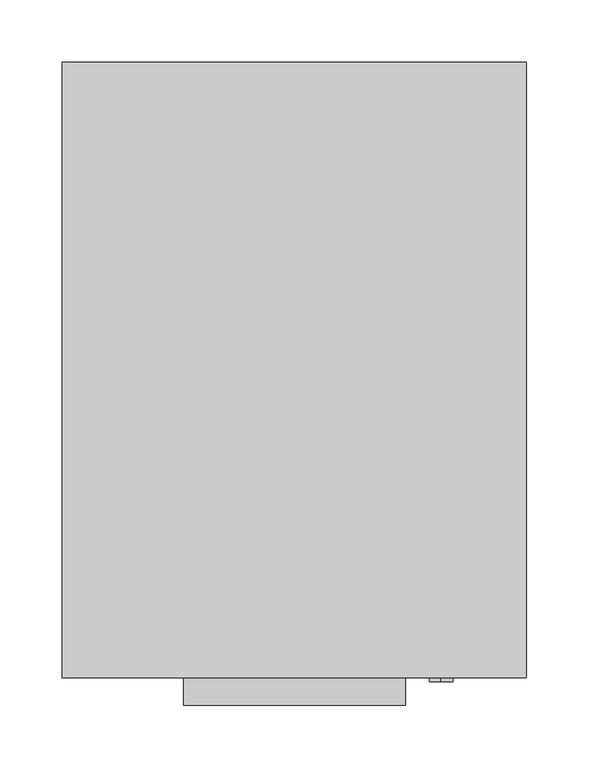
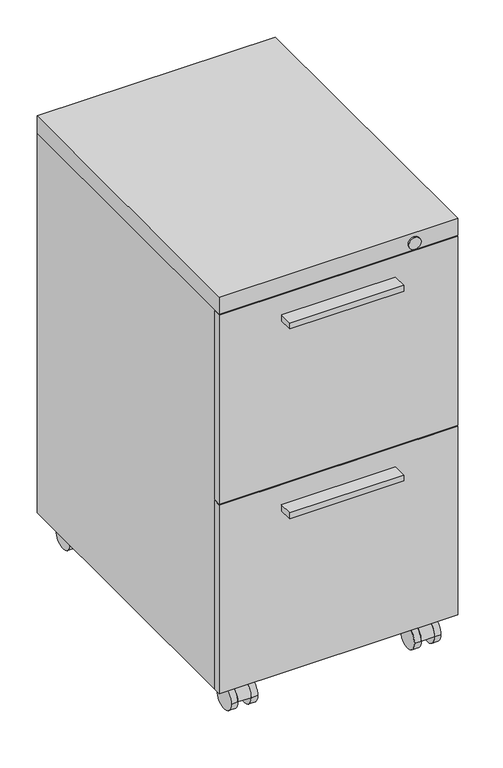
"""IFC4 building model written with IfcOpenShell, lengths in millimetres: furniture geometry."""

import ifcopenshell
import ifcopenshell.guid

model = None  # the IFC model being written
_history = None  # IfcOwnerHistory: only IFC2X3 demands one
_inside = {}  # id of a spatial element -> (the spatial element, [elements in it])
_under = {}  # id of a project, library or spatial element -> (it, [spatial elements below it])
_declared = {}  # id of a project -> (the project, [libraries it declares])
_typed = {}  # id of a type object -> (the type object, [elements of that type])
_made_of = {}  # id of a material, layer set ... -> (it, [elements and type objects made of it])


def new_model(schema):
    """Start an empty IFC model of exactly this schema.

    Asked for "IFC4X3", IfcOpenShell would pick the latest addendum, in which some entities
    have other attributes; the version numbers below select the first issue.
    IFC2X3 requires an IfcOwnerHistory on every rooted entity: one is made here for all.
    """
    global model, _history
    if schema == "IFC4X3":
        model = ifcopenshell.file(schema_version=(4, 3, 0, 0))
    else:
        model = ifcopenshell.file(schema=schema)
    _inside.clear()
    _under.clear()
    _declared.clear()
    _typed.clear()
    _made_of.clear()
    _history = None
    if model.schema == "IFC2X3":
        org = make("IfcOrganization", Name="unknown")
        user = make(
            "IfcPersonAndOrganization",
            ThePerson=make("IfcPerson", FamilyName="unknown"),
            TheOrganization=org,
        )
        app = make(
            "IfcApplication",
            ApplicationDeveloper=org,
            Version="unknown",
            ApplicationFullName="unknown",
            ApplicationIdentifier="unknown",
        )
        _history = make(
            "IfcOwnerHistory",
            OwningUser=user,
            OwningApplication=app,
            ChangeAction="ADDED",
            CreationDate=0,
        )
    return model


def make(cls, **values):
    """One entity of the class cls with the attributes given. An attribute that is None is left unset."""
    return model.create_entity(
        cls, **{name: value for name, value in values.items() if value is not None}
    )


def rooted(cls, **values):
    """An entity with a GlobalId (a new one), such as an element, a storey or a relation."""
    return make(cls, GlobalId=ifcopenshell.guid.new(), OwnerHistory=_history, **values)


def si_unit(unit_type, name, prefix=None):
    """IfcSIUnit, for example si_unit("LENGTHUNIT", "METRE", prefix="MILLI")."""
    return make("IfcSIUnit", UnitType=unit_type, Prefix=prefix, Name=name)


def assignment(units):
    """IfcUnitAssignment: the units of a project."""
    return None if units is None else make("IfcUnitAssignment", Units=units)


def point(xyz):
    """IfcCartesianPoint."""
    return None if xyz is None else make("IfcCartesianPoint", Coordinates=xyz)


def direction(xyz):
    """IfcDirection."""
    return None if xyz is None else make("IfcDirection", DirectionRatios=xyz)


def frame(location, z_axis=None, x_axis=None):
    """IfcAxis2Placement3D, a coordinate frame: its origin and axes. An axis left out is left unset."""
    return make(
        "IfcAxis2Placement3D",
        Location=point(location),
        Axis=direction(z_axis),
        RefDirection=direction(x_axis),
    )


def frame_2d(location, x_axis=None):
    """IfcAxis2Placement2D, a coordinate frame in the plane: its origin and x axis."""
    return make(
        "IfcAxis2Placement2D", Location=point(location), RefDirection=direction(x_axis)
    )


def origin():
    """The frame at (0, 0, 0) with its axes left unset."""
    return frame((0.0, 0.0, 0.0))


def place(relative_to, where):
    """IfcLocalPlacement: puts the frame where relative to a parent placement (None: the world)."""
    return make(
        "IfcLocalPlacement", PlacementRelTo=relative_to, RelativePlacement=where
    )


def context(
    kind, dimensions, precision=None, world=None, true_north=None, identifier=None
):
    """IfcGeometricRepresentationContext, for example the 3D "Model" context."""
    return make(
        "IfcGeometricRepresentationContext",
        ContextIdentifier=identifier,
        ContextType=kind,
        CoordinateSpaceDimension=dimensions,
        Precision=precision,
        WorldCoordinateSystem=world,
        TrueNorth=true_north,
    )


def project(units=None, contexts=None):
    """IfcProject with its units and contexts."""
    return rooted(
        "IfcProject",
        Name="project",
        RepresentationContexts=contexts,
        UnitsInContext=assignment(units),
    )


def spatial(cls, under=None, at=None, **own):
    """A site, building, storey or space (cls), placed at a placement, below another one or the project."""
    s = rooted(cls, ObjectPlacement=at, **own)
    if under is not None:
        _under.setdefault(under.id(), (under, []))[1].append(s)
    return s


def polyline(points):
    """IfcPolyline through the points."""
    return make("IfcPolyline", Points=[point(p) for p in points])


def circle_curve(where, radius):
    """IfcCircle in the frame where."""
    return make("IfcCircle", Position=where, Radius=radius)


def trimmed(basis, trim1, trim2, sense, master):
    """IfcTrimmedCurve: the piece of a basis curve between two trims."""
    return make(
        "IfcTrimmedCurve",
        BasisCurve=basis,
        Trim1=trim1,
        Trim2=trim2,
        SenseAgreement=sense,
        MasterRepresentation=master,
    )


def segment(curve, same_sense, transition):
    """IfcCompositeCurveSegment."""
    return make(
        "IfcCompositeCurveSegment",
        Transition=transition,
        SameSense=same_sense,
        ParentCurve=curve,
    )


def composite_curve(segments, self_intersect=None):
    """IfcCompositeCurve: segments joined end to end."""
    return make("IfcCompositeCurve", Segments=segments, SelfIntersect=self_intersect)


def outline(outer, holes=None, kind="AREA"):
    """IfcArbitraryClosedProfileDef: a profile drawn as a closed curve; with holes, ...WithVoids."""
    if holes is None:
        return make("IfcArbitraryClosedProfileDef", ProfileType=kind, OuterCurve=outer)
    return make(
        "IfcArbitraryProfileDefWithVoids",
        ProfileType=kind,
        OuterCurve=outer,
        InnerCurves=holes,
    )


def extrude(swept, where, along, depth):
    """IfcExtrudedAreaSolid: the profile swept, set in the frame where, extruded along a direction by depth."""
    return make(
        "IfcExtrudedAreaSolid",
        SweptArea=swept,
        Position=where,
        ExtrudedDirection=direction(along),
        Depth=depth,
    )


def shape(context_of_items, identifier, shape_type, items):
    """IfcShapeRepresentation: the items that make up one representation, for example the "Body"."""
    return make(
        "IfcShapeRepresentation",
        ContextOfItems=context_of_items,
        RepresentationIdentifier=identifier,
        RepresentationType=shape_type,
        Items=items,
    )


def source(mapping_origin, context_of_items, identifier, shape_type, items):
    """IfcRepresentationMap: a shape defined once, which mapped items show again and again."""
    return make(
        "IfcRepresentationMap",
        MappingOrigin=mapping_origin,
        MappedRepresentation=shape(context_of_items, identifier, shape_type, items),
    )


def transform(
    local_origin,
    x_axis=None,
    y_axis=None,
    z_axis=None,
    scale=None,
    scale2=None,
    scale3=None,
    uniform=True,
):
    """IfcCartesianTransformationOperator3D, or its non-uniform kind. x_axis, y_axis, z_axis: its Axis1, 2, 3."""
    if uniform:
        return make(
            "IfcCartesianTransformationOperator3D",
            Axis1=direction(x_axis),
            Axis2=direction(y_axis),
            LocalOrigin=point(local_origin),
            Scale=scale,
            Axis3=direction(z_axis),
        )
    return make(
        "IfcCartesianTransformationOperator3DnonUniform",
        Axis1=direction(x_axis),
        Axis2=direction(y_axis),
        LocalOrigin=point(local_origin),
        Scale=scale,
        Axis3=direction(z_axis),
        Scale2=scale2,
        Scale3=scale3,
    )


def mapped(mapping_source, mapping_target):
    """IfcMappedItem: shows the shape of a source again, moved by a transform."""
    return make(
        "IfcMappedItem", MappingSource=mapping_source, MappingTarget=mapping_target
    )


def made_of(thing, what):
    """Note that an element or type object is made of a material, layer set ...; save() writes the relation."""
    if what is not None:
        _made_of.setdefault(what.id(), (what, []))[1].append(thing)
    return thing


def element(
    cls,
    number,
    at=None,
    inside=None,
    cuts=None,
    type_object=None,
    material=None,
    context=None,
    identifier="Body",
    shape_type=None,
    held_by="IfcProductDefinitionShape",
    body=None,
    shapes=None,
    **own,
):
    """One element of the class cls, such as IfcWall. Its Tag is "e" and its number.

    at: its placement. inside: the storey or other place that contains it. cuts: it is an
    opening in that element (IfcRelVoidsElement). A single representation is given by context,
    identifier, shape_type and body (its items); several are given by shapes. held_by: the class
    of the entity that holds the representations. save() writes the other relations.
    """
    e = rooted(cls, Tag="e%d" % number, ObjectPlacement=at, **own)
    if body is not None:
        shapes = [shape(context, identifier, shape_type, body)]
    if shapes is not None:
        e.Representation = make(held_by, Representations=shapes)
    if inside is not None:
        _inside.setdefault(inside.id(), (inside, []))[1].append(e)
    if cuts is not None:
        rooted(
            "IfcRelVoidsElement", RelatingBuildingElement=cuts, RelatedOpeningElement=e
        )
    if type_object is not None:
        _typed.setdefault(type_object.id(), (type_object, []))[1].append(e)
    return made_of(e, material)


def aggregate(whole, parts):
    """IfcRelAggregates: a whole, such as a stair, and the parts it consists of."""
    return rooted("IfcRelAggregates", RelatingObject=whole, RelatedObjects=parts)


def save(model, path):
    """Write the relations noted so far, then the file.

    IfcRelAggregates (storeys below a building ...), IfcRelContainedInSpatialStructure (elements
    in a storey), IfcRelDefinesByType, IfcRelAssociatesMaterial and IfcRelDeclares: one each for
    every whole, place, type object, material and project.
    """
    for whole, parts in _under.values():
        aggregate(whole, parts)
    for where, things in _inside.values():
        rooted(
            "IfcRelContainedInSpatialStructure",
            RelatedElements=things,
            RelatingStructure=where,
        )
    for kind, things in _typed.values():
        rooted("IfcRelDefinesByType", RelatedObjects=things, RelatingType=kind)
    for what, things in _made_of.values():
        rooted("IfcRelAssociatesMaterial", RelatedObjects=things, RelatingMaterial=what)
    for by, libraries in _declared.values():
        rooted("IfcRelDeclares", RelatingContext=by, RelatedDefinitions=libraries)
    model.write(path)


def furniture_bc43a49d(model_context):
    return source(origin(), model_context, "Body", "SweptSolid", [
        extrude(outline(polyline([(88.9, -268.2875), (-88.9, -268.2875), (-88.9, -246.0625), (88.9, -246.0625), (88.9, -268.2875)])), frame((0.0, 0.0, 315.9125045), z_axis=(0.0, 0.0, 1.0), x_axis=(1.0, 0.0, 0.0)), (0.0, 0.0, 1.0), 9.525),
        extrude(outline(polyline([(88.9, -268.2875), (-88.9, -268.2875), (-88.9, -246.0625), (88.9, -246.0625), (88.9, -268.2875)])), frame((0.0, 0.0, 628.6499924), z_axis=(0.0, 0.0, 1.0), x_axis=(1.0, 0.0, 0.0)), (0.0, 0.0, 1.0), 9.525),
        extrude(outline(composite_curve([segment(trimmed(circle_curve(frame_2d((-220.6625363, 19.05)), 19.05), [point((-239.7125363, 19.05))], [point((-201.6125363, 19.05))], False, "CARTESIAN"), True, "CONTINUOUS"), segment(polyline([(-201.6125363, 19.05), (-239.7125363, 19.05)]), True, "CONTINUOUS")], self_intersect=False)), frame((132.5562508, 0.0, 0.0), z_axis=(1.0, 0.0, 0.0), x_axis=(0.0, 1.0, 0.0)), (0.0, 0.0, 1.0), 20.6375008),
        extrude(outline(composite_curve([segment(trimmed(circle_curve(frame_2d((142.875, -207.9625303)), 10.3187561), [point((132.5562439, -207.9625303))], [point((153.1937561, -207.9625303))], False, "CARTESIAN"), True, "CONTINUOUS"), segment(trimmed(circle_curve(frame_2d((142.875, -207.9625303)), 10.3187561), [point((153.1937561, -207.9625303))], [point((132.5562439, -207.9625303))], False, "CARTESIAN"), True, "CONTINUOUS")], self_intersect=False)), frame((0.0, 0.0, 19.05), z_axis=(0.0, 0.0, 1.0), x_axis=(1.0, 0.0, 0.0)), (0.0, 0.0, 1.0), 28.575),
        extrude(outline(composite_curve([segment(trimmed(circle_curve(frame_2d((-220.6625363, 19.05)), 19.05), [point((-201.6125363, 19.05))], [point((-239.7125363, 19.05))], False, "CARTESIAN"), True, "CONTINUOUS"), segment(trimmed(circle_curve(frame_2d((-220.6625363, 19.05)), 19.05), [point((-239.7125363, 19.05))], [point((-201.6125363, 19.05))], False, "CARTESIAN"), True, "CONTINUOUS")], self_intersect=False)), frame((153.1937515, 0.0, 0.0), z_axis=(1.0, 0.0, 0.0), x_axis=(0.0, 1.0, 0.0)), (0.0, 0.0, 1.0), 10.318747),
        extrude(outline(composite_curve([segment(trimmed(circle_curve(frame_2d((-220.6625363, 19.05)), 19.05), [point((-201.6125363, 19.05))], [point((-239.7125363, 19.05))], False, "CARTESIAN"), True, "CONTINUOUS"), segment(trimmed(circle_curve(frame_2d((-220.6625363, 19.05)), 19.05), [point((-239.7125363, 19.05))], [point((-201.6125363, 19.05))], False, "CARTESIAN"), True, "CONTINUOUS")], self_intersect=False)), frame((122.2375, 0.0, 0.0), z_axis=(1.0, 0.0, 0.0), x_axis=(0.0, 1.0, 0.0)), (0.0, 0.0, 1.0), 10.3187508),
        extrude(outline(composite_curve([segment(trimmed(circle_curve(frame_2d((-220.6625363, 19.05)), 19.05), [point((-239.7125363, 19.05))], [point((-201.6125363, 19.05))], False, "CARTESIAN"), True, "CONTINUOUS"), segment(polyline([(-201.6125363, 19.05), (-239.7125363, 19.05)]), True, "CONTINUOUS")], self_intersect=False)), frame((-153.1937492, 0.0, 0.0), z_axis=(1.0, 0.0, 0.0), x_axis=(0.0, 1.0, 0.0)), (0.0, 0.0, 1.0), 20.6375008),
        extrude(outline(composite_curve([segment(trimmed(circle_curve(frame_2d((-142.875, -207.9625303)), 10.3187561), [point((-153.1937561, -207.9625303))], [point((-132.5562439, -207.9625303))], False, "CARTESIAN"), True, "CONTINUOUS"), segment(trimmed(circle_curve(frame_2d((-142.875, -207.9625303)), 10.3187561), [point((-132.5562439, -207.9625303))], [point((-153.1937561, -207.9625303))], False, "CARTESIAN"), True, "CONTINUOUS")], self_intersect=False)), frame((0.0, 0.0, 19.05), z_axis=(0.0, 0.0, 1.0), x_axis=(1.0, 0.0, 0.0)), (0.0, 0.0, 1.0), 28.575),
        extrude(outline(composite_curve([segment(trimmed(circle_curve(frame_2d((-220.6625363, 19.05)), 19.05), [point((-201.6125363, 19.05))], [point((-239.7125363, 19.05))], False, "CARTESIAN"), True, "CONTINUOUS"), segment(trimmed(circle_curve(frame_2d((-220.6625363, 19.05)), 19.05), [point((-239.7125363, 19.05))], [point((-201.6125363, 19.05))], False, "CARTESIAN"), True, "CONTINUOUS")], self_intersect=False)), frame((-132.5562485, 0.0, 0.0), z_axis=(1.0, 0.0, 0.0), x_axis=(0.0, 1.0, 0.0)), (0.0, 0.0, 1.0), 10.318747),
        extrude(outline(composite_curve([segment(trimmed(circle_curve(frame_2d((-220.6625363, 19.05)), 19.05), [point((-201.6125363, 19.05))], [point((-239.7125363, 19.05))], False, "CARTESIAN"), True, "CONTINUOUS"), segment(trimmed(circle_curve(frame_2d((-220.6625363, 19.05)), 19.05), [point((-239.7125363, 19.05))], [point((-201.6125363, 19.05))], False, "CARTESIAN"), True, "CONTINUOUS")], self_intersect=False)), frame((-163.5125, 0.0, 0.0), z_axis=(1.0, 0.0, 0.0), x_axis=(0.0, 1.0, 0.0)), (0.0, 0.0, 1.0), 10.3187508),
        extrude(outline(composite_curve([segment(trimmed(circle_curve(frame_2d((214.3124758, 19.05)), 19.05), [point((195.2624758, 19.05))], [point((233.3624758, 19.05))], False, "CARTESIAN"), True, "CONTINUOUS"), segment(polyline([(233.3624758, 19.05), (195.2624758, 19.05)]), True, "CONTINUOUS")], self_intersect=False)), frame((132.5562508, 0.0, 0.0), z_axis=(1.0, 0.0, 0.0), x_axis=(0.0, 1.0, 0.0)), (0.0, 0.0, 1.0), 20.6375008),
        extrude(outline(composite_curve([segment(trimmed(circle_curve(frame_2d((142.875, 227.0124818)), 10.3187561), [point((132.5562439, 227.0124818))], [point((153.1937561, 227.0124818))], False, "CARTESIAN"), True, "CONTINUOUS"), segment(trimmed(circle_curve(frame_2d((142.875, 227.0124818)), 10.3187561), [point((153.1937561, 227.0124818))], [point((132.5562439, 227.0124818))], False, "CARTESIAN"), True, "CONTINUOUS")], self_intersect=False)), frame((0.0, 0.0, 19.05), z_axis=(0.0, 0.0, 1.0), x_axis=(1.0, 0.0, 0.0)), (0.0, 0.0, 1.0), 28.575),
        extrude(outline(composite_curve([segment(trimmed(circle_curve(frame_2d((214.3124758, 19.05)), 19.05), [point((233.3624758, 19.05))], [point((195.2624758, 19.05))], False, "CARTESIAN"), True, "CONTINUOUS"), segment(trimmed(circle_curve(frame_2d((214.3124758, 19.05)), 19.05), [point((195.2624758, 19.05))], [point((233.3624758, 19.05))], False, "CARTESIAN"), True, "CONTINUOUS")], self_intersect=False)), frame((153.1937515, 0.0, 0.0), z_axis=(1.0, 0.0, 0.0), x_axis=(0.0, 1.0, 0.0)), (0.0, 0.0, 1.0), 10.318747),
        extrude(outline(composite_curve([segment(trimmed(circle_curve(frame_2d((214.3124758, 19.05)), 19.05), [point((233.3624758, 19.05))], [point((195.2624758, 19.05))], False, "CARTESIAN"), True, "CONTINUOUS"), segment(trimmed(circle_curve(frame_2d((214.3124758, 19.05)), 19.05), [point((195.2624758, 19.05))], [point((233.3624758, 19.05))], False, "CARTESIAN"), True, "CONTINUOUS")], self_intersect=False)), frame((122.2375, 0.0, 0.0), z_axis=(1.0, 0.0, 0.0), x_axis=(0.0, 1.0, 0.0)), (0.0, 0.0, 1.0), 10.3187508),
        extrude(outline(composite_curve([segment(trimmed(circle_curve(frame_2d((214.3124758, 19.05)), 19.05), [point((195.2624758, 19.05))], [point((233.3624758, 19.05))], False, "CARTESIAN"), True, "CONTINUOUS"), segment(polyline([(233.3624758, 19.05), (195.2624758, 19.05)]), True, "CONTINUOUS")], self_intersect=False)), frame((-153.1937492, 0.0, 0.0), z_axis=(1.0, 0.0, 0.0), x_axis=(0.0, 1.0, 0.0)), (0.0, 0.0, 1.0), 20.6375008),
        extrude(outline(composite_curve([segment(trimmed(circle_curve(frame_2d((-142.875, 227.0124818)), 10.3187561), [point((-153.1937561, 227.0124818))], [point((-132.5562439, 227.0124818))], False, "CARTESIAN"), True, "CONTINUOUS"), segment(trimmed(circle_curve(frame_2d((-142.875, 227.0124818)), 10.3187561), [point((-132.5562439, 227.0124818))], [point((-153.1937561, 227.0124818))], False, "CARTESIAN"), True, "CONTINUOUS")], self_intersect=False)), frame((0.0, 0.0, 19.05), z_axis=(0.0, 0.0, 1.0), x_axis=(1.0, 0.0, 0.0)), (0.0, 0.0, 1.0), 28.575),
        extrude(outline(composite_curve([segment(trimmed(circle_curve(frame_2d((214.3124758, 19.05)), 19.05), [point((233.3624758, 19.05))], [point((195.2624758, 19.05))], False, "CARTESIAN"), True, "CONTINUOUS"), segment(trimmed(circle_curve(frame_2d((214.3124758, 19.05)), 19.05), [point((195.2624758, 19.05))], [point((233.3624758, 19.05))], False, "CARTESIAN"), True, "CONTINUOUS")], self_intersect=False)), frame((-132.5562485, 0.0, 0.0), z_axis=(1.0, 0.0, 0.0), x_axis=(0.0, 1.0, 0.0)), (0.0, 0.0, 1.0), 10.318747),
        extrude(outline(composite_curve([segment(trimmed(circle_curve(frame_2d((214.3124758, 19.05)), 19.05), [point((233.3624758, 19.05))], [point((195.2624758, 19.05))], False, "CARTESIAN"), True, "CONTINUOUS"), segment(trimmed(circle_curve(frame_2d((214.3124758, 19.05)), 19.05), [point((195.2624758, 19.05))], [point((233.3624758, 19.05))], False, "CARTESIAN"), True, "CONTINUOUS")], self_intersect=False)), frame((-163.5125, 0.0, 0.0), z_axis=(1.0, 0.0, 0.0), x_axis=(0.0, 1.0, 0.0)), (0.0, 0.0, 1.0), 10.3187508),
        extrude(outline(polyline([(185.7375, -233.3624516), (185.7375, -246.0625), (-185.7375, -246.0625), (-185.7375, -233.3624516), (185.7375, -233.3624516)])), frame((0.0, 0.0, 360.3624992), z_axis=(0.0, 0.0, 1.0), x_axis=(1.0, 0.0, 0.0)), (0.0, 0.0, 1.0), 311.1500008),
        extrude(outline(polyline([(185.7375, -233.3624516), (185.7375, -246.0625), (-185.7375, -246.0625), (-185.7375, -233.3624516), (185.7375, -233.3624516)])), frame((0.0, 0.0, 47.625), z_axis=(0.0, 0.0, 1.0), x_axis=(1.0, 0.0, 0.0)), (0.0, 0.0, 1.0), 311.1500121),
        extrude(outline(polyline([(185.7375, 246.0625), (185.7375, -246.0625), (-185.7375, -246.0625), (-185.7375, 246.0625), (185.7375, 246.0625)])), frame((0.0, 0.0, 673.1), z_axis=(0.0, 0.0, 1.0), x_axis=(1.0, 0.0, 0.0)), (0.0, 0.0, 1.0), 28.575),
        extrude(outline(polyline([(185.7375, 246.0625), (185.7375, -233.3624516), (-185.7375, -233.3624516), (-185.7375, 246.0625), (185.7375, 246.0625)])), frame((0.0, 0.0, 47.625), z_axis=(0.0, 0.0, 1.0), x_axis=(1.0, 0.0, 0.0)), (0.0, 0.0, 1.0), 625.475),
        extrude(outline(composite_curve([segment(trimmed(circle_curve(frame_2d((685.8, 117.4750242)), 9.525), [point((676.275, 117.4750242))], [point((695.325, 117.4750242))], False, "CARTESIAN"), True, "CONTINUOUS"), segment(trimmed(circle_curve(frame_2d((685.8, 117.4750242)), 9.525), [point((695.325, 117.4750242))], [point((676.275, 117.4750242))], False, "CARTESIAN"), True, "CONTINUOUS")], self_intersect=False)), frame((0.0, -249.2374879, 0.0), z_axis=(0.0, 1.0, 0.0), x_axis=(0.0, 0.0, 1.0)), (0.0, 0.0, 1.0), 3.1749879),
    ])


if __name__ == "__main__":
    model = new_model("IFC4")
    model_context = context("Model", 3, world=origin())
    ifc_project = project(units=[si_unit("LENGTHUNIT", "METRE", prefix="MILLI")], contexts=[model_context])
    site = spatial("IfcSite", under=ifc_project)
    building = spatial("IfcBuilding", under=site)
    placement = place(None, origin())
    furniture_shape = furniture_bc43a49d(model_context)
    element("IfcFurniture", 1, at=placement, inside=building, context=model_context, shape_type="MappedRepresentation", body=[
        mapped(furniture_shape, transform((0.0, 0.0, 0.0), x_axis=(1.0, 0.0, 0.0), y_axis=(0.0, 1.0, 0.0), z_axis=(0.0, 0.0, 1.0))),
    ])
    save(model, "model.ifc")
